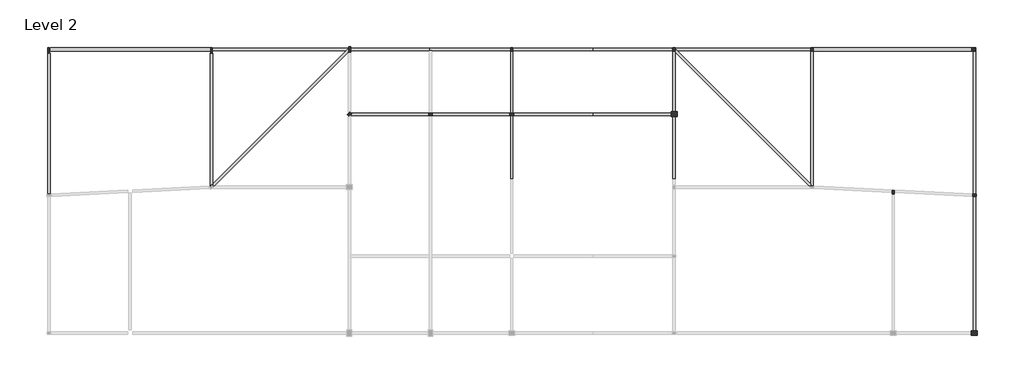
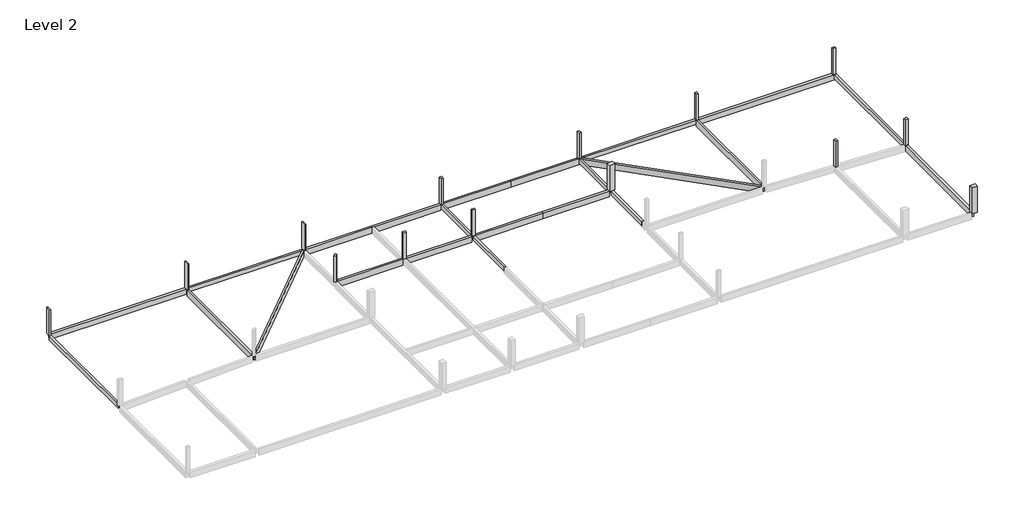
# One storey, part 2 of 2: 21 beams, 14 columns.
"""IFC4 building model written with IfcOpenShell, lengths in millimetres."""

import ifcopenshell
import ifcopenshell.guid

model = None  # the IFC model being written
_history = None  # IfcOwnerHistory: only IFC2X3 demands one
_inside = {}  # id of a spatial element -> (the spatial element, [elements in it])
_under = {}  # id of a project, library or spatial element -> (it, [spatial elements below it])
_declared = {}  # id of a project -> (the project, [libraries it declares])
_typed = {}  # id of a type object -> (the type object, [elements of that type])
_made_of = {}  # id of a material, layer set ... -> (it, [elements and type objects made of it])


def new_model(schema):
    """Start an empty IFC model of exactly this schema.

    Asked for "IFC4X3", IfcOpenShell would pick the latest addendum, in which some entities
    have other attributes; the version numbers below select the first issue.
    IFC2X3 requires an IfcOwnerHistory on every rooted entity: one is made here for all.
    """
    global model, _history
    if schema == "IFC4X3":
        model = ifcopenshell.file(schema_version=(4, 3, 0, 0))
    else:
        model = ifcopenshell.file(schema=schema)
    _inside.clear()
    _under.clear()
    _declared.clear()
    _typed.clear()
    _made_of.clear()
    _history = None
    if model.schema == "IFC2X3":
        org = make("IfcOrganization", Name="unknown")
        user = make(
            "IfcPersonAndOrganization",
            ThePerson=make("IfcPerson", FamilyName="unknown"),
            TheOrganization=org,
        )
        app = make(
            "IfcApplication",
            ApplicationDeveloper=org,
            Version="unknown",
            ApplicationFullName="unknown",
            ApplicationIdentifier="unknown",
        )
        _history = make(
            "IfcOwnerHistory",
            OwningUser=user,
            OwningApplication=app,
            ChangeAction="ADDED",
            CreationDate=0,
        )
    return model


def make(cls, **values):
    """One entity of the class cls with the attributes given. An attribute that is None is left unset."""
    return model.create_entity(
        cls, **{name: value for name, value in values.items() if value is not None}
    )


def rooted(cls, **values):
    """An entity with a GlobalId (a new one), such as an element, a storey or a relation."""
    return make(cls, GlobalId=ifcopenshell.guid.new(), OwnerHistory=_history, **values)


def si_unit(unit_type, name, prefix=None):
    """IfcSIUnit, for example si_unit("LENGTHUNIT", "METRE", prefix="MILLI")."""
    return make("IfcSIUnit", UnitType=unit_type, Prefix=prefix, Name=name)


def assignment(units):
    """IfcUnitAssignment: the units of a project."""
    return None if units is None else make("IfcUnitAssignment", Units=units)


def point(xyz):
    """IfcCartesianPoint."""
    return None if xyz is None else make("IfcCartesianPoint", Coordinates=xyz)


def direction(xyz):
    """IfcDirection."""
    return None if xyz is None else make("IfcDirection", DirectionRatios=xyz)


def frame(location, z_axis=None, x_axis=None):
    """IfcAxis2Placement3D, a coordinate frame: its origin and axes. An axis left out is left unset."""
    return make(
        "IfcAxis2Placement3D",
        Location=point(location),
        Axis=direction(z_axis),
        RefDirection=direction(x_axis),
    )


def origin():
    """The frame at (0, 0, 0) with its axes left unset."""
    return frame((0.0, 0.0, 0.0))


def place(relative_to, where):
    """IfcLocalPlacement: puts the frame where relative to a parent placement (None: the world)."""
    return make(
        "IfcLocalPlacement", PlacementRelTo=relative_to, RelativePlacement=where
    )


def context(
    kind, dimensions, precision=None, world=None, true_north=None, identifier=None
):
    """IfcGeometricRepresentationContext, for example the 3D "Model" context."""
    return make(
        "IfcGeometricRepresentationContext",
        ContextIdentifier=identifier,
        ContextType=kind,
        CoordinateSpaceDimension=dimensions,
        Precision=precision,
        WorldCoordinateSystem=world,
        TrueNorth=true_north,
    )


def project(units=None, contexts=None):
    """IfcProject with its units and contexts."""
    return rooted(
        "IfcProject",
        Name="project",
        RepresentationContexts=contexts,
        UnitsInContext=assignment(units),
    )


def spatial(cls, under=None, at=None, **own):
    """A site, building, storey or space (cls), placed at a placement, below another one or the project."""
    s = rooted(cls, ObjectPlacement=at, **own)
    if under is not None:
        _under.setdefault(under.id(), (under, []))[1].append(s)
    return s


def polyline(points):
    """IfcPolyline through the points."""
    return make("IfcPolyline", Points=[point(p) for p in points])


def outline(outer, holes=None, kind="AREA"):
    """IfcArbitraryClosedProfileDef: a profile drawn as a closed curve; with holes, ...WithVoids."""
    if holes is None:
        return make("IfcArbitraryClosedProfileDef", ProfileType=kind, OuterCurve=outer)
    return make(
        "IfcArbitraryProfileDefWithVoids",
        ProfileType=kind,
        OuterCurve=outer,
        InnerCurves=holes,
    )


def extrude(swept, where, along, depth):
    """IfcExtrudedAreaSolid: the profile swept, set in the frame where, extruded along a direction by depth."""
    return make(
        "IfcExtrudedAreaSolid",
        SweptArea=swept,
        Position=where,
        ExtrudedDirection=direction(along),
        Depth=depth,
    )


def faces_of(points, faces, orient=None, outer=None):
    """IfcFace entities. A face is a list of loops; a loop is a list of indices into points, from 0.

    orient and outer hold one flag for each loop. By default every Orientation is true, the
    first loop of a face is its IfcFaceOuterBound and the others are IfcFaceBound.
    """
    made = []
    for i, loops in enumerate(faces):
        bounds = []
        for j, loop in enumerate(loops):
            is_outer = j == 0 if outer is None else outer[i][j]
            bounds.append(
                make(
                    "IfcFaceOuterBound" if is_outer else "IfcFaceBound",
                    Bound=make("IfcPolyLoop", Polygon=[points[k] for k in loop]),
                    Orientation=True if orient is None else orient[i][j],
                )
            )
        made.append(make("IfcFace", Bounds=bounds))
    return made


def faceted_brep(points, faces, orient=None, outer=None, voids=None):
    """IfcFacetedBrep: a solid bounded by flat faces; with voids (closed shells), ...WithVoids."""
    shared = [point(p) for p in points]
    hull = make("IfcClosedShell", CfsFaces=faces_of(shared, faces, orient, outer))
    if voids is None:
        return make("IfcFacetedBrep", Outer=hull)
    return make(
        "IfcFacetedBrepWithVoids",
        Outer=hull,
        Voids=[
            make(cls, CfsFaces=faces_of(shared, fs, o, b)) for cls, fs, o, b in voids
        ],
    )


def shape(context_of_items, identifier, shape_type, items):
    """IfcShapeRepresentation: the items that make up one representation, for example the "Body"."""
    return make(
        "IfcShapeRepresentation",
        ContextOfItems=context_of_items,
        RepresentationIdentifier=identifier,
        RepresentationType=shape_type,
        Items=items,
    )


def made_of(thing, what):
    """Note that an element or type object is made of a material, layer set ...; save() writes the relation."""
    if what is not None:
        _made_of.setdefault(what.id(), (what, []))[1].append(thing)
    return thing


def element(
    cls,
    number,
    at=None,
    inside=None,
    cuts=None,
    type_object=None,
    material=None,
    context=None,
    identifier="Body",
    shape_type=None,
    held_by="IfcProductDefinitionShape",
    body=None,
    shapes=None,
    **own,
):
    """One element of the class cls, such as IfcWall. Its Tag is "e" and its number.

    at: its placement. inside: the storey or other place that contains it. cuts: it is an
    opening in that element (IfcRelVoidsElement). A single representation is given by context,
    identifier, shape_type and body (its items); several are given by shapes. held_by: the class
    of the entity that holds the representations. save() writes the other relations.
    """
    e = rooted(cls, Tag="e%d" % number, ObjectPlacement=at, **own)
    if body is not None:
        shapes = [shape(context, identifier, shape_type, body)]
    if shapes is not None:
        e.Representation = make(held_by, Representations=shapes)
    if inside is not None:
        _inside.setdefault(inside.id(), (inside, []))[1].append(e)
    if cuts is not None:
        rooted(
            "IfcRelVoidsElement", RelatingBuildingElement=cuts, RelatedOpeningElement=e
        )
    if type_object is not None:
        _typed.setdefault(type_object.id(), (type_object, []))[1].append(e)
    return made_of(e, material)


def aggregate(whole, parts):
    """IfcRelAggregates: a whole, such as a stair, and the parts it consists of."""
    return rooted("IfcRelAggregates", RelatingObject=whole, RelatedObjects=parts)


def save(model, path):
    """Write the relations noted so far, then the file.

    IfcRelAggregates (storeys below a building ...), IfcRelContainedInSpatialStructure (elements
    in a storey), IfcRelDefinesByType, IfcRelAssociatesMaterial and IfcRelDeclares: one each for
    every whole, place, type object, material and project.
    """
    for whole, parts in _under.values():
        aggregate(whole, parts)
    for where, things in _inside.values():
        rooted(
            "IfcRelContainedInSpatialStructure",
            RelatedElements=things,
            RelatingStructure=where,
        )
    for kind, things in _typed.values():
        rooted("IfcRelDefinesByType", RelatedObjects=things, RelatingType=kind)
    for what, things in _made_of.values():
        rooted("IfcRelAssociatesMaterial", RelatedObjects=things, RelatingMaterial=what)
    for by, libraries in _declared.values():
        rooted("IfcRelDeclares", RelatingContext=by, RelatedDefinitions=libraries)
    model.write(path)


model = new_model("IFC4")

# Units and contexts
model_context = context("Model", 3, world=origin())
ifc_project = project(units=[si_unit("LENGTHUNIT", "METRE", prefix="MILLI")], contexts=[model_context])

# Site, building, storey
site = spatial("IfcSite", under=ifc_project)
building = spatial("IfcBuilding", under=site)
storey = spatial("IfcBuildingStorey", under=building, Name="Level 2", Elevation=4000.0)

# Beams
placement = place(None, origin())
element("IfcBeam", 1, ObjectType="M_Concrete-Rectangular Beam : 300 x 600mm", at=placement, inside=storey, context=model_context, shape_type="SweptSolid", body=[
    extrude(outline(polyline([(-15472.6221164, 9458.1174774), (-15172.6221164, 9458.1174774), (-15172.6221164, -7809.1014481), (-15472.6221164, -7824.1014481), (-15472.6221164, 9458.1174774)])), frame((0.0, 0.0, 3400.0), z_axis=(0.0, 0.0, 1.0), x_axis=(1.0, 0.0, 0.0)), (0.0, 0.0, 1.0), 600.0),
])
element("IfcBeam", 2, ObjectType="M_Concrete-Rectangular Beam : 300 x 600mm", at=placement, inside=storey, context=model_context, shape_type="SweptSolid", body=[
    extrude(outline(polyline([(4827.3778836, 9808.1174774), (4827.3778836, 10108.1174774), (21527.3778836, 10108.1174774), (21527.3778836, 10020.2495118), (21315.2458493, 9808.1174774), (4827.3778836, 9808.1174774)])), frame((0.0, 0.0, 3400.0), z_axis=(0.0, 0.0, 1.0), x_axis=(1.0, 0.0, 0.0)), (0.0, 0.0, 1.0), 600.0),
])
element("IfcBeam", 3, ObjectType="M_Concrete-Rectangular Beam : 300 x 600mm", at=placement, inside=storey, context=model_context, shape_type="SweptSolid", body=[
    extrude(outline(polyline([(41827.3778836, -6041.8825226), (41527.3778836, -6041.8825226), (41527.3778836, 1733.1174774), (41827.3778836, 1733.1174774), (41827.3778836, -6041.8825226)])), frame((0.0, 0.0, 3400.0), z_axis=(0.0, 0.0, 1.0), x_axis=(1.0, 0.0, 0.0)), (0.0, 0.0, 1.0), 600.0),
    extrude(outline(polyline([(41527.3778836, 9733.1174774), (41827.3778836, 9733.1174774), (41827.3778836, 2183.1174774), (41527.3778836, 2183.1174774), (41527.3778836, 9733.1174774)])), frame((0.0, 0.0, 3400.0), z_axis=(0.0, 0.0, 1.0), x_axis=(1.0, 0.0, 0.0)), (0.0, 0.0, 1.0), 600.0),
])
element("IfcBeam", 4, ObjectType="M_Concrete-Rectangular Beam : 300 x 600mm", at=placement, inside=storey, context=model_context, shape_type="SweptSolid", body=[
    extrude(outline(polyline([(98527.3778836, 9758.1174774), (98827.3778836, 9758.1174774), (98827.3778836, -7891.8825226), (98681.1255428, -7891.8825226), (98527.3778836, -7884.1951396), (98527.3778836, 9758.1174774)])), frame((0.0, 0.0, 3400.0), z_axis=(0.0, 0.0, 1.0), x_axis=(1.0, 0.0, 0.0)), (0.0, 0.0, 1.0), 600.0),
])
element("IfcBeam", 5, ObjectType="M_Concrete-Rectangular Beam : 300 x 600mm", at=placement, inside=storey, context=model_context, shape_type="SweptSolid", body=[
    extrude(outline(polyline([(78527.3778836, 10108.1174774), (78527.3778836, 9808.1174774), (62039.509918, 9808.1174774), (61827.3778836, 10020.2495118), (61827.3778836, 10108.1174774), (78527.3778836, 10108.1174774)])), frame((0.0, 0.0, 3400.0), z_axis=(0.0, 0.0, 1.0), x_axis=(1.0, 0.0, 0.0)), (0.0, 0.0, 1.0), 600.0),
])
element("IfcBeam", 6, ObjectType="M_Concrete-Rectangular Beam : 300 x 600mm", at=placement, inside=storey, context=model_context, shape_type="SweptSolid", body=[
    extrude(outline(polyline([(61827.3778836, -6041.8825226), (61527.3778836, -6041.8825226), (61527.3778836, 1658.1174774), (61827.3778836, 1658.1174774), (61827.3778836, -6041.8825226)])), frame((0.0, 0.0, 3400.0), z_axis=(0.0, 0.0, 1.0), x_axis=(1.0, 0.0, 0.0)), (0.0, 0.0, 1.0), 600.0),
    extrude(outline(polyline([(61690.2458493, 9733.1174774), (61827.3778836, 9595.9854431), (61827.3778836, 2258.1174774), (61527.3778836, 2258.1174774), (61527.3778836, 9733.1174774), (61690.2458493, 9733.1174774)])), frame((0.0, 0.0, 3400.0), z_axis=(0.0, 0.0, 1.0), x_axis=(1.0, 0.0, 0.0)), (0.0, 0.0, 1.0), 600.0),
])
element("IfcBeam", 7, ObjectType="M_Concrete-Rectangular Beam : 300 x 900mm", at=placement, inside=storey, context=model_context, shape_type="Brep", body=[
    faceted_brep([(4827.3778836, 9458.1174774, 4000.0), (4527.3778836, 9458.1174774, 4000.0), (4527.3778836, -6873.684471, 4000.0), (4730.4108922, -6670.6514625, 4000.0), (4827.3778836, -6767.6184539, 4000.0), (4827.3778836, -6679.7504882, 4000.0), (4527.3778836, 9458.1174774, 3100.0), (4527.3778836, -6873.684471, 3100.0), (4827.3778836, 9458.1174774, 3100.0), (4827.3778836, -6679.7504882, 3100.0), (4827.3778836, -6767.6184539, 3100.0), (4730.4108922, -6670.6514625, 3100.0)], [[[0, 1, 2, 3, 4, 5]], [[1, 6, 7, 2]], [[6, 8, 9, 10, 11, 7]], [[8, 0, 5, 4, 10, 9]], [[1, 0, 8, 6]], [[11, 3, 2, 7]], [[3, 11, 10, 4]]]),
])
element("IfcBeam", 8, ObjectType="M_Concrete-Rectangular Beam : 300 x 900mm", at=placement, inside=storey, context=model_context, shape_type="Brep", body=[
    faceted_brep([(21527.3778836, 10020.2495118, 4000.0), (21315.2458493, 9808.1174774, 4000.0), (4827.3778836, -6679.7504882, 4000.0), (4827.3778836, -6767.6184539, 4000.0), (4995.5759351, -6935.8165054, 4000.0), (5039.509918, -6891.8825226, 4000.0), (21527.3778836, 9595.9854431, 4000.0), (21539.509918, 9608.1174774, 4000.0), (21527.3778836, 9608.1174774, 4000.0), (21539.509918, 9608.1174774, 3100.0), (4995.5759351, -6935.8165054, 3100.0), (5039.509918, -6891.8825226, 3100.0), (21527.3778836, 9595.9854431, 3100.0), (4827.3778836, -6679.7504882, 3100.0), (21527.3778836, 10020.2495118, 3100.0), (21527.3778836, 9608.1174774, 3100.0), (4827.3778836, -6767.6184539, 3100.0), (21527.3778836, 10020.2495118, 3400.0)], [[[0, 1, 2, 3, 4, 5, 6, 7, 8]], [[9, 7, 6, 5, 4, 10, 11, 12]], [[13, 14, 15, 9, 12, 11, 10, 16]], [[13, 2, 1, 0, 17, 14]], [[2, 13, 16, 3]], [[15, 8, 7, 9]], [[8, 15, 14, 17, 0]], [[4, 3, 16, 10]]]),
])
element("IfcBeam", 9, ObjectType="M_Concrete-Rectangular Beam : 300 x 900mm", at=placement, inside=storey, context=model_context, shape_type="Brep", body=[
    faceted_brep([(31527.3778836, 10108.1174774, 4000.0), (31527.3778836, 9808.1174774, 4000.0), (31827.3778836, 9808.1174774, 4000.0), (41527.3778836, 9808.1174774, 4000.0), (41527.3778836, 10108.1174774, 4000.0), (31527.3778836, 9808.1174774, 3100.0), (31827.3778836, 9808.1174774, 3100.0), (41527.3778836, 9808.1174774, 3100.0), (31527.3778836, 10108.1174774, 3100.0), (41527.3778836, 10108.1174774, 3100.0)], [[[0, 1, 2, 3, 4]], [[1, 5, 6, 7, 3, 2]], [[5, 8, 9, 7, 6]], [[8, 0, 4, 9]], [[1, 0, 8, 5]], [[4, 3, 7, 9]]]),
])
element("IfcBeam", 10, ObjectType="M_Concrete-Rectangular Beam : 300 x 900mm", at=placement, inside=storey, context=model_context, shape_type="SweptSolid", body=[
    extrude(outline(polyline([(41377.3778836, 2108.1174774), (41377.3778836, 1808.1174774), (31977.3778836, 1808.1174774), (31977.3778836, 2108.1174774), (41377.3778836, 2108.1174774)])), frame((0.0, 0.0, 3100.0), z_axis=(0.0, 0.0, 1.0), x_axis=(1.0, 0.0, 0.0)), (0.0, 0.0, 1.0), 900.0),
])
element("IfcBeam", 11, ObjectType="M_Concrete-Rectangular Beam : 300 x 900mm", at=placement, inside=storey, context=model_context, shape_type="SweptSolid", body=[
    extrude(outline(polyline([(31527.3778836, 10108.1174774), (31527.3778836, 9808.1174774), (21827.3778836, 9808.1174774), (21827.3778836, 10108.1174774), (31527.3778836, 10108.1174774)])), frame((0.0, 0.0, 3100.0), z_axis=(0.0, 0.0, 1.0), x_axis=(1.0, 0.0, 0.0)), (0.0, 0.0, 1.0), 900.0),
])
element("IfcBeam", 12, ObjectType="M_Concrete-Rectangular Beam : 300 x 900mm", at=placement, inside=storey, context=model_context, shape_type="SweptSolid", body=[
    extrude(outline(polyline([(31377.3778836, 2108.1174774), (31377.3778836, 1808.1174774), (21845.5759351, 1808.1174774), (22048.6089437, 2011.150486), (21951.6419523, 2108.1174774), (31377.3778836, 2108.1174774)])), frame((0.0, 0.0, 3100.0), z_axis=(0.0, 0.0, 1.0), x_axis=(1.0, 0.0, 0.0)), (0.0, 0.0, 1.0), 900.0),
])
element("IfcBeam", 13, ObjectType="M_Concrete-Rectangular Beam : 300 x 900mm", at=placement, inside=storey, context=model_context, shape_type="Brep", body=[
    faceted_brep([(78827.3778836, 9733.1174774, 4000.0), (78527.3778836, 9733.1174774, 4000.0), (78527.3778836, -6679.7504882, 4000.0), (78527.3778836, -6816.8825226, 4000.0), (78827.3778836, -6816.8825226, 4000.0), (78827.3778836, 9733.1174774, 3100.0), (78827.3778836, -6816.8825226, 3100.0), (78527.3778836, 9733.1174774, 3100.0), (78527.3778836, -6816.8825226, 3100.0), (78527.3778836, -6679.7504882, 3100.0)], [[[0, 1, 2, 3, 4]], [[5, 0, 4, 6]], [[7, 5, 6, 8, 9]], [[1, 7, 9, 8, 3, 2]], [[1, 0, 5, 7]], [[4, 3, 8, 6]]]),
])
element("IfcBeam", 14, ObjectType="M_Concrete-Rectangular Beam : 300 x 900mm", at=placement, inside=storey, context=model_context, shape_type="Brep", body=[
    faceted_brep([(61527.3778836, 10108.1174774, 4000.0), (61315.2458493, 10108.1174774, 4000.0), (61527.3778836, 9895.9854431, 4000.0), (61315.2458493, 10108.1174774, 3100.0), (61527.3778836, 9895.9854431, 3100.0), (61527.3778836, 10108.1174774, 3100.0)], [[[0, 1, 2]], [[1, 3, 4, 2]], [[3, 5, 4]], [[3, 1, 0, 5]], [[0, 2, 4, 5]]]),
    faceted_brep([(78527.3778836, -6679.7504882, 4000.0), (78527.3778836, -6679.7504882, 3100.0), (61827.3778836, 10020.2495118, 3100.0), (61827.3778836, 10020.2495118, 3400.0), (61827.3778836, 10020.2495118, 4000.0), (62039.509918, 9808.1174774, 4000.0), (78527.3778836, -6816.8825226, 4000.0), (78527.3778836, -6816.8825226, 3100.0), (61827.3778836, 9733.1174774, 3100.0), (61827.3778836, 9733.1174774, 4000.0), (61690.2458493, 9733.1174774, 3100.0), (61690.2458493, 9733.1174774, 3400.0), (61690.2458493, 9733.1174774, 4000.0), (61827.3778836, 9595.9854431, 4000.0), (78315.2458493, -6891.8825226, 4000.0), (78377.3778836, -6954.0145569, 4000.0), (78377.3778836, -6816.8825226, 4000.0), (78315.2458493, -6891.8825226, 3100.0), (78377.3778836, -6954.0145569, 3100.0), (78377.3778836, -6816.8825226, 3100.0)], [[[0, 1, 2, 3, 4, 5]], [[1, 0, 6, 7]], [[8, 9, 4, 3, 2]], [[9, 8, 10, 11, 12]], [[0, 5, 4, 9, 12, 13, 14, 15, 16, 6]], [[12, 11, 10, 17, 18, 15, 14, 13]], [[2, 1, 7, 19, 18, 17, 10, 8]], [[16, 19, 7, 6]], [[19, 16, 15, 18]]]),
])
element("IfcBeam", 15, ObjectType="M_Concrete-Rectangular Beam : 300 x 900mm", at=placement, inside=storey, context=model_context, shape_type="SweptSolid", body=[
    extrude(outline(polyline([(98673.6302244, -8191.8825226), (98827.3778836, -8199.5699055), (98827.3778836, -24741.8825226), (98527.3778836, -24741.8825226), (98527.3778836, -8191.8825226), (98673.6302244, -8191.8825226)])), frame((0.0, 0.0, 3100.0), z_axis=(0.0, 0.0, 1.0), x_axis=(1.0, 0.0, 0.0)), (0.0, 0.0, 1.0), 900.0),
])
element("IfcBeam", 16, ObjectType="M_Concrete-Rectangular Beam : 300 x 900mm", at=placement, inside=storey, context=model_context, shape_type="SweptSolid", body=[
    extrude(outline(polyline([(51677.3778836, 10108.1174774), (51677.3778836, 9808.1174774), (41827.3778836, 9808.1174774), (41827.3778836, 10108.1174774), (51677.3778836, 10108.1174774)])), frame((0.0, 0.0, 3100.0), z_axis=(0.0, 0.0, 1.0), x_axis=(1.0, 0.0, 0.0)), (0.0, 0.0, 1.0), 900.0),
])
element("IfcBeam", 17, ObjectType="M_Concrete-Rectangular Beam : 300 x 900mm", at=placement, inside=storey, context=model_context, shape_type="SweptSolid", body=[
    extrude(outline(polyline([(51677.3778836, 2108.1174774), (51677.3778836, 1808.1174774), (41977.3778836, 1808.1174774), (41977.3778836, 2108.1174774), (51677.3778836, 2108.1174774)])), frame((0.0, 0.0, 3100.0), z_axis=(0.0, 0.0, 1.0), x_axis=(1.0, 0.0, 0.0)), (0.0, 0.0, 1.0), 900.0),
])
element("IfcBeam", 18, ObjectType="M_Concrete-Rectangular Beam : 300 x 900mm", at=placement, inside=storey, context=model_context, shape_type="SweptSolid", body=[
    extrude(outline(polyline([(51677.3778836, 9808.1174774), (51677.3778836, 10108.1174774), (61315.2458493, 10108.1174774), (61527.3778836, 9895.9854431), (61527.3778836, 9808.1174774), (51677.3778836, 9808.1174774)])), frame((0.0, 0.0, 3100.0), z_axis=(0.0, 0.0, 1.0), x_axis=(1.0, 0.0, 0.0)), (0.0, 0.0, 1.0), 900.0),
])
element("IfcBeam", 19, ObjectType="M_Concrete-Rectangular Beam : 300 x 900mm", at=placement, inside=storey, context=model_context, shape_type="SweptSolid", body=[
    extrude(outline(polyline([(51677.3778836, 1808.1174774), (51677.3778836, 2108.1174774), (61302.3778836, 2108.1174774), (61302.3778836, 1808.1174774), (51677.3778836, 1808.1174774)])), frame((0.0, 0.0, 3100.0), z_axis=(0.0, 0.0, 1.0), x_axis=(1.0, 0.0, 0.0)), (0.0, 0.0, 1.0), 900.0),
])
element("IfcBeam", 20, ObjectType="M_Concrete-Rectangular Beam : 400 x 800mm", at=placement, inside=storey, context=model_context, shape_type="SweptSolid", body=[
    extrude(outline(polyline([(4527.3778836, 10158.1174774), (4527.3778836, 9758.1174774), (-15172.6221164, 9758.1174774), (-15172.6221164, 10158.1174774), (4527.3778836, 10158.1174774)])), frame((0.0, 0.0, 3200.0), z_axis=(0.0, 0.0, 1.0), x_axis=(1.0, 0.0, 0.0)), (0.0, 0.0, 1.0), 800.0),
])
element("IfcBeam", 21, ObjectType="M_Concrete-Rectangular Beam : 400 x 800mm", at=placement, inside=storey, context=model_context, shape_type="Brep", body=[
    faceted_brep([(78827.3778836, 10158.1174774, 4000.0), (78827.3778836, 9758.1174774, 4000.0), (98527.3778836, 9758.1174774, 4000.0), (98827.3778836, 9758.1174774, 4000.0), (98827.3778836, 10158.1174774, 4000.0), (98352.3778836, 10108.1174774, 4000.0), (98802.3778836, 10108.1174774, 4000.0), (98802.3778836, 9808.1174774, 4000.0), (98352.3778836, 9808.1174774, 4000.0), (78827.3778836, 9758.1174774, 3200.0), (98827.3778836, 9758.1174774, 3200.0), (98827.3778836, 9758.1174774, 3400.0), (78827.3778836, 10158.1174774, 3200.0), (98827.3778836, 10158.1174774, 3200.0), (98802.3778836, 10108.1174774, 3200.0), (98352.3778836, 10108.1174774, 3200.0), (98352.3778836, 9808.1174774, 3200.0), (98802.3778836, 9808.1174774, 3200.0)], [[[0, 1, 2, 3, 4], [5, 6, 7, 8]], [[1, 9, 10, 11, 3, 2]], [[9, 12, 13, 10], [14, 15, 16, 17]], [[4, 13, 12, 0]], [[1, 0, 12, 9]], [[4, 3, 11, 10, 13]], [[14, 6, 5, 15]], [[6, 14, 17, 7]], [[7, 17, 16, 8]], [[8, 16, 15, 5]]]),
])

# Columns
element("IfcColumn", 22, ObjectType="M_Concrete-Rectangular-Column : 200 x 700mm", at=placement, inside=storey, context=model_context, shape_type="Brep", body=[
    faceted_brep([(-15272.6221164, 10158.1174774, 4000.0), (-15272.6221164, 9458.1174774, 4000.0), (-15472.6221164, 9458.1174774, 4000.0), (-15472.6221164, 10158.1174774, 4000.0), (-15272.6221164, 10158.1174774, 8000.0), (-15272.6221164, 9458.1174774, 8000.0), (-15272.6221164, 9458.1174774, 7000.0), (-15272.6221164, 9458.1174774, 6400.0), (-15272.6221164, 10158.1174774, 6200.0), (-15272.6221164, 10158.1174774, 7000.0), (-15472.6221164, 9458.1174774, 8000.0), (-15472.6221164, 9458.1174774, 7000.0), (-15472.6221164, 9458.1174774, 6400.0), (-15472.6221164, 10158.1174774, 8000.0)], [[[0, 1, 2, 3]], [[4, 5, 6, 7, 1, 0, 8, 9]], [[5, 10, 11, 12, 2, 1, 7, 6]], [[10, 13, 3, 2, 12, 11]], [[13, 4, 9, 8, 0, 3]], [[4, 13, 10, 5]]]),
])
element("IfcColumn", 23, ObjectType="M_Concrete-Rectangular-Column : 200 x 700mm", at=placement, inside=storey, context=model_context, shape_type="Brep", body=[
    faceted_brep([(4777.3778836, 10158.1174774, 4000.0), (4777.3778836, 9458.1174774, 4000.0), (4577.3778836, 9458.1174774, 4000.0), (4577.3778836, 10158.1174774, 4000.0), (4777.3778836, 10158.1174774, 8000.0), (4777.3778836, 9458.1174774, 8000.0), (4777.3778836, 9458.1174774, 7000.0), (4777.3778836, 9458.1174774, 6100.0), (4777.3778836, 10158.1174774, 6100.0), (4777.3778836, 10158.1174774, 7000.0), (4577.3778836, 9458.1174774, 8000.0), (4577.3778836, 9458.1174774, 7000.0), (4577.3778836, 9458.1174774, 6100.0), (4577.3778836, 10158.1174774, 8000.0), (4577.3778836, 10158.1174774, 7000.0), (4577.3778836, 10158.1174774, 6100.0)], [[[0, 1, 2, 3]], [[4, 5, 6, 7, 1, 0, 8, 9]], [[5, 10, 11, 12, 2, 1, 7, 6]], [[10, 13, 14, 15, 3, 2, 12, 11]], [[13, 4, 9, 8, 0, 3, 15, 14]], [[4, 13, 10, 5]]]),
])
element("IfcColumn", 24, ObjectType="M_Concrete-Rectangular-Column : 200 x 700mm", at=placement, inside=storey, context=model_context, shape_type="Brep", body=[
    faceted_brep([(21827.3778836, 10308.1174774, 4000.0), (21827.3778836, 9608.1174774, 4000.0), (21627.3778836, 9608.1174774, 4000.0), (21627.3778836, 10308.1174774, 4000.0), (21827.3778836, 10308.1174774, 8000.0), (21827.3778836, 9608.1174774, 8000.0), (21827.3778836, 9608.1174774, 7000.0), (21827.3778836, 9608.1174774, 6100.0), (21627.3778836, 9608.1174774, 8000.0), (21627.3778836, 9608.1174774, 7000.0), (21627.3778836, 9608.1174774, 6100.0), (21627.3778836, 10308.1174774, 8000.0)], [[[0, 1, 2, 3]], [[4, 5, 6, 7, 1, 0]], [[5, 8, 9, 10, 2, 1, 7, 6]], [[8, 11, 3, 2, 10, 9]], [[11, 4, 0, 3]], [[4, 11, 8, 5]]]),
])
element("IfcColumn", 25, ObjectType="M_Concrete-Rectangular-Column : 300 x 450mm", at=placement, inside=storey, context=model_context, shape_type="Brep", body=[
    faceted_brep([(41827.3778836, 10183.1174774, 4000.0), (41827.3778836, 9733.1174774, 4000.0), (41527.3778836, 9733.1174774, 4000.0), (41527.3778836, 10183.1174774, 4000.0), (41827.3778836, 10183.1174774, 8000.0), (41827.3778836, 9733.1174774, 8000.0), (41827.3778836, 9733.1174774, 7000.0), (41827.3778836, 9733.1174774, 6400.0), (41527.3778836, 9733.1174774, 8000.0), (41527.3778836, 9733.1174774, 7000.0), (41527.3778836, 9733.1174774, 6400.0), (41527.3778836, 10183.1174774, 8000.0)], [[[0, 1, 2, 3]], [[4, 5, 6, 7, 1, 0]], [[5, 8, 9, 10, 2, 1, 7, 6]], [[8, 11, 3, 2, 10, 9]], [[11, 4, 0, 3]], [[4, 11, 8, 5]]]),
])
element("IfcColumn", 26, ObjectType="M_Concrete-Rectangular-Column : 300 x 450mm", at=placement, inside=storey, context=model_context, shape_type="Brep", body=[
    faceted_brep([(61827.3778836, 10183.1174774, 4000.0), (61827.3778836, 9733.1174774, 4000.0), (61527.3778836, 9733.1174774, 4000.0), (61527.3778836, 10183.1174774, 4000.0), (61827.3778836, 10183.1174774, 8000.0), (61827.3778836, 9733.1174774, 8000.0), (61827.3778836, 9733.1174774, 7000.0), (61827.3778836, 9733.1174774, 6100.0), (61527.3778836, 9733.1174774, 8000.0), (61527.3778836, 9733.1174774, 7000.0), (61527.3778836, 9733.1174774, 6400.0), (61527.3778836, 10183.1174774, 8000.0)], [[[0, 1, 2, 3]], [[4, 5, 6, 7, 1, 0]], [[5, 8, 9, 10, 2, 1, 7, 6]], [[8, 11, 3, 2, 10, 9]], [[11, 4, 0, 3]], [[4, 11, 8, 5]]]),
])
element("IfcColumn", 27, ObjectType="M_Concrete-Rectangular-Column : 300 x 450mm", at=placement, inside=storey, context=model_context, shape_type="Brep", body=[
    faceted_brep([(78827.3778836, 10183.1174774, 4000.0), (78827.3778836, 9733.1174774, 4000.0), (78527.3778836, 9733.1174774, 4000.0), (78527.3778836, 10183.1174774, 4000.0), (78827.3778836, 10183.1174774, 8000.0), (78827.3778836, 9733.1174774, 8000.0), (78827.3778836, 9733.1174774, 7000.0), (78827.3778836, 9733.1174774, 6100.0), (78527.3778836, 9733.1174774, 8000.0), (78527.3778836, 9733.1174774, 7000.0), (78527.3778836, 9733.1174774, 6100.0), (78527.3778836, 10183.1174774, 8000.0)], [[[0, 1, 2, 3]], [[4, 5, 6, 7, 1, 0]], [[5, 8, 9, 10, 2, 1, 7, 6]], [[8, 11, 3, 2, 10, 9]], [[11, 4, 0, 3]], [[4, 11, 8, 5]]]),
])
element("IfcColumn", 28, ObjectType="M_Concrete-Rectangular-Column : 300 x 450mm", at=placement, inside=storey, context=model_context, shape_type="Brep", body=[
    faceted_brep([(98352.3778836, 10108.1174774, 4000.0), (98802.3778836, 10108.1174774, 4000.0), (98802.3778836, 9808.1174774, 4000.0), (98352.3778836, 9808.1174774, 4000.0), (98352.3778836, 10108.1174774, 8000.0), (98802.3778836, 10108.1174774, 8000.0), (98802.3778836, 10108.1174774, 7000.0), (98802.3778836, 10108.1174774, 6200.0), (98352.3778836, 10108.1174774, 6200.0), (98352.3778836, 10108.1174774, 7000.0), (98802.3778836, 9808.1174774, 8000.0), (98802.3778836, 9808.1174774, 7000.0), (98802.3778836, 9808.1174774, 6200.0), (98352.3778836, 9808.1174774, 8000.0), (98352.3778836, 9808.1174774, 7000.0), (98352.3778836, 9808.1174774, 6200.0)], [[[0, 1, 2, 3]], [[4, 5, 6, 7, 1, 0, 8, 9]], [[5, 10, 11, 12, 2, 1, 7, 6]], [[10, 13, 14, 15, 3, 2, 12, 11]], [[13, 4, 9, 8, 0, 3, 15, 14]], [[4, 13, 10, 5]]]),
])
element("IfcColumn", 29, ObjectType="M_Concrete-Rectangular-Column : 300 x 450mm", at=placement, inside=storey, context=model_context, shape_type="Brep", body=[
    faceted_brep([(98452.3778836, -7891.8825226, 4000.0), (98902.3778836, -7891.8825226, 4000.0), (98902.3778836, -8191.8825226, 4000.0), (98452.3778836, -8191.8825226, 4000.0), (98452.3778836, -7891.8825226, 8000.0), (98902.3778836, -7891.8825226, 8000.0), (98452.3778836, -7891.8825226, 6100.0), (98452.3778836, -7891.8825226, 7000.0), (98902.3778836, -8191.8825226, 8000.0), (98452.3778836, -8191.8825226, 8000.0)], [[[0, 1, 2, 3]], [[4, 5, 1, 0, 6, 7]], [[5, 8, 2, 1]], [[8, 9, 3, 2]], [[9, 4, 7, 6, 0, 3]], [[4, 9, 8, 5]]]),
])
element("IfcColumn", 30, ObjectType="M_Concrete-Rectangular-Column : 300 x 450mm", at=placement, inside=storey, context=model_context, shape_type="Brep", body=[
    faceted_brep([(88827.3778836, -7467.0699055, 4000.0), (88827.3778836, -7917.0699055, 4000.0), (88527.3778836, -7917.0699055, 4000.0), (88527.3778836, -7467.0699055, 4000.0), (88827.3778836, -7467.0699055, 8000.0), (88827.3778836, -7917.0699055, 8000.0), (88827.3778836, -7917.0699055, 7000.0), (88827.3778836, -7917.0699055, 6100.0), (88827.3778836, -7467.0699055, 6100.0), (88827.3778836, -7467.0699055, 7000.0), (88527.3778836, -7917.0699055, 8000.0), (88527.3778836, -7917.0699055, 7000.0), (88527.3778836, -7917.0699055, 6100.0), (88527.3778836, -7467.0699055, 8000.0), (88527.3778836, -7467.0699055, 7000.0), (88527.3778836, -7467.0699055, 6100.0)], [[[0, 1, 2, 3]], [[4, 5, 6, 7, 1, 0, 8, 9]], [[5, 10, 11, 12, 2, 1, 7, 6]], [[10, 13, 14, 15, 3, 2, 12, 11]], [[13, 4, 9, 8, 0, 3, 15, 14]], [[4, 13, 10, 5]]]),
])
element("IfcColumn", 31, ObjectType="M_Concrete-Rectangular-Column : 300 x 450mm", at=placement, inside=storey, context=model_context, shape_type="SweptSolid", body=[
    extrude(outline(polyline([(41902.3778836, 1808.1174774), (41452.3778836, 1808.1174774), (41452.3778836, 2108.1174774), (41902.3778836, 2108.1174774), (41902.3778836, 1808.1174774)])), frame((0.0, 0.0, 4000.0), z_axis=(0.0, 0.0, 1.0), x_axis=(1.0, 0.0, 0.0)), (0.0, 0.0, 1.0), 4000.0),
])
element("IfcColumn", 32, ObjectType="M_Concrete-Rectangular-Column : 300 x 450mm", at=placement, inside=storey, context=model_context, shape_type="SweptSolid", body=[
    extrude(outline(polyline([(31902.3778836, 1808.1174774), (31452.3778836, 1808.1174774), (31452.3778836, 2108.1174774), (31902.3778836, 2108.1174774), (31902.3778836, 1808.1174774)])), frame((0.0, 0.0, 4000.0), z_axis=(0.0, 0.0, 1.0), x_axis=(1.0, 0.0, 0.0)), (0.0, 0.0, 1.0), 4000.0),
])
element("IfcColumn", 33, ObjectType="M_Concrete-Rectangular-Column : 300 x 450mm", at=placement, inside=storey, context=model_context, shape_type="Brep", body=[
    faceted_brep([(21942.5429266, 2011.150486, 4000.0), (21624.344875, 1692.9524345, 4000.0), (21412.2128407, 1905.0844688, 4000.0), (21730.4108922, 2223.2825204, 4000.0), (21942.5429266, 2011.150486, 8000.0), (21624.344875, 1692.9524345, 8000.0), (21624.344875, 1692.9524345, 7000.0), (21624.344875, 1692.9524345, 6100.0), (21942.5429266, 2011.150486, 6100.0), (21942.5429266, 2011.150486, 7000.0), (21412.2128407, 1905.0844688, 8000.0), (21730.4108922, 2223.2825204, 8000.0), (21730.4108922, 2223.2825204, 7000.0), (21730.4108922, 2223.2825204, 6100.0)], [[[0, 1, 2, 3]], [[4, 5, 6, 7, 1, 0, 8, 9]], [[5, 10, 2, 1, 7, 6]], [[10, 11, 12, 13, 3, 2]], [[11, 4, 9, 8, 0, 3, 13, 12]], [[4, 11, 10, 5]]]),
])
element("IfcColumn", 34, ObjectType="M_Concrete-Rectangular-Column : 600 x 750mm", at=placement, inside=storey, context=model_context, shape_type="SweptSolid", body=[
    extrude(outline(polyline([(98302.3778836, -24741.8825226), (99052.3778836, -24741.8825226), (99052.3778836, -25341.8825226), (98302.3778836, -25341.8825226), (98302.3778836, -24741.8825226)])), frame((0.0, 0.0, 4000.0), z_axis=(0.0, 0.0, 1.0), x_axis=(1.0, 0.0, 0.0)), (0.0, 0.0, 1.0), 4000.0),
])
element("IfcColumn", 35, ObjectType="M_Concrete-Rectangular-Column : 600 x 750mm", at=placement, inside=storey, context=model_context, shape_type="SweptSolid", body=[
    extrude(outline(polyline([(61302.3778836, 2258.1174774), (62052.3778836, 2258.1174774), (62052.3778836, 1658.1174774), (61302.3778836, 1658.1174774), (61302.3778836, 2258.1174774)])), frame((0.0, 0.0, 4000.0), z_axis=(0.0, 0.0, 1.0), x_axis=(1.0, 0.0, 0.0)), (0.0, 0.0, 1.0), 4000.0),
])

save(model, "model.ifc")
